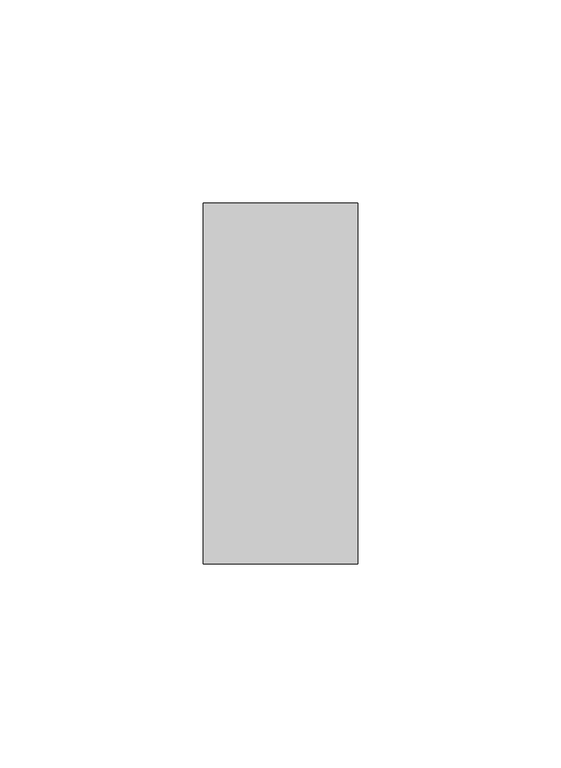
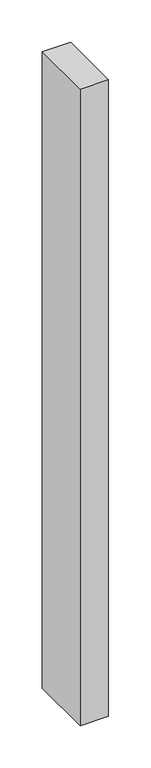
"""IFC4 building model written with IfcOpenShell, lengths in millimetres: proxy geometry."""

from ifc_helpers import new_model, si_unit, frame, origin, place, context, project, spatial, polyline, outline, extrude, source, transform, mapped, element, save


def generic_models_d38d095e(model_context):
    return source(origin(), model_context, "Body", "SweptSolid", [
        extrude(outline(polyline([(36990.8377561, -24052.6529904), (36952.7377561, -24052.6529904), (36952.7377561, -23963.7529904), (36990.8377561, -23963.7529904), (36990.8377561, -24052.6529904)])), frame((0.0, 0.0, 1524.0), z_axis=(0.0, 0.0, 1.0), x_axis=(1.0, 0.0, 0.0)), (0.0, 0.0, 1.0), 914.4),
    ])


if __name__ == "__main__":
    model = new_model("IFC4")
    model_context = context("Model", 3, world=origin())
    ifc_project = project(units=[si_unit("LENGTHUNIT", "METRE", prefix="MILLI")], contexts=[model_context])
    site = spatial("IfcSite", under=ifc_project)
    building = spatial("IfcBuilding", under=site)
    placement = place(None, origin())
    generic_models_shape = generic_models_d38d095e(model_context)
    element("IfcBuildingElementProxy", 1, Name="Generic Models", at=placement, inside=building, context=model_context, shape_type="MappedRepresentation", body=[
        mapped(generic_models_shape, transform((0.0, 0.0, 0.0), x_axis=(1.0, 0.0, 0.0), y_axis=(0.0, 1.0, 0.0), z_axis=(0.0, 0.0, 1.0))),
    ])
    save(model, "model.ifc")
